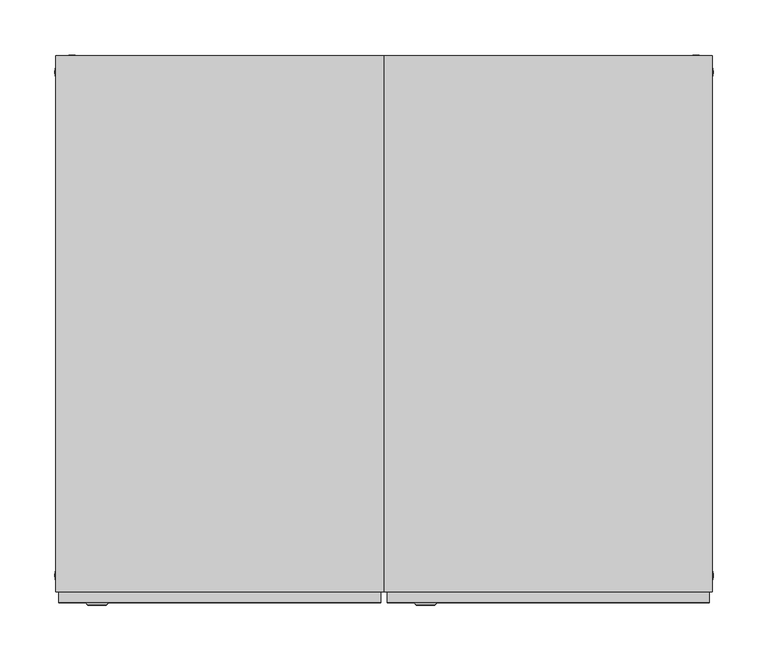
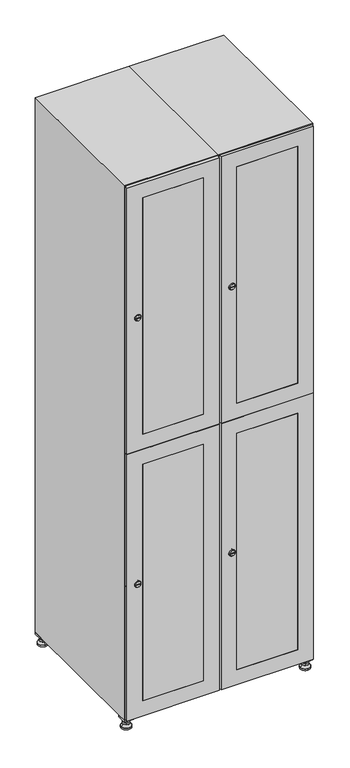
"""IFC4 building model written with IfcOpenShell, lengths in millimetres: furniture geometry."""

from ifc_helpers import new_model, si_unit, point, frame, frame_2d, origin, origin_with_axes, place, context, project, spatial, polyline, circle_curve, trimmed, segment, composite_curve, outline, extrude, faceted_brep, source, transform, mapped, element, save
from ifc_brep_helpers import plane_surface, revolved_surface, advanced_brep


def furniture_5f30b60d(model_context):
    return source(origin(), model_context, "Body", "SolidModel", [
        extrude(outline(polyline([(400.0, 245.0), (400.0, 215.0), (370.0, 215.0), (370.0, 245.0), (400.0, 245.0)]), holes=[polyline([(398.0, 243.0), (372.0, 243.0), (372.0, 217.0), (398.0, 217.0), (398.0, 243.0)])]), frame((0.0, 0.0, 28.5), z_axis=(0.0, 0.0, 1.0), x_axis=(1.0, 0.0, 0.0)), (0.0, 0.0, 1.0), 6.5),
        extrude(outline(polyline([(370.0, -245.0), (370.0, -215.0), (400.0, -215.0), (400.0, -245.0), (370.0, -245.0)]), holes=[polyline([(372.0, -243.0), (398.0, -243.0), (398.0, -217.0), (372.0, -217.0), (372.0, -243.0)])]), frame((0.0, 0.0, 28.5), z_axis=(0.0, 0.0, 1.0), x_axis=(1.0, 0.0, 0.0)), (0.0, 0.0, 1.0), 6.5),
        extrude(outline(polyline([(-170.0, 245.0), (-170.0, 215.0), (-200.0, 215.0), (-200.0, 245.0), (-170.0, 245.0)]), holes=[polyline([(-172.0, 243.0), (-198.0, 243.0), (-198.0, 217.0), (-172.0, 217.0), (-172.0, 243.0)])]), frame((0.0, 0.0, 28.5), z_axis=(0.0, 0.0, 1.0), x_axis=(1.0, 0.0, 0.0)), (0.0, 0.0, 1.0), 6.5),
        extrude(outline(polyline([(-170.0, -215.0), (-170.0, -245.0), (-200.0, -245.0), (-200.0, -215.0), (-170.0, -215.0)]), holes=[polyline([(-198.0, -243.0), (-172.0, -243.0), (-172.0, -217.0), (-198.0, -217.0), (-198.0, -243.0)])]), frame((0.0, 0.0, 28.5), z_axis=(0.0, 0.0, 1.0), x_axis=(1.0, 0.0, 0.0)), (0.0, 0.0, 1.0), 6.5),
        extrude(outline(composite_curve([segment(trimmed(circle_curve(frame_2d((-185.0, 230.0)), 5.0), [point((-180.0, 230.0))], [point((-190.0, 230.0))], False, "CARTESIAN"), True, "CONTINUOUS"), segment(trimmed(circle_curve(frame_2d((-185.0, 230.0)), 5.0), [point((-190.0, 230.0))], [point((-180.0, 230.0))], False, "CARTESIAN"), True, "CONTINUOUS")], self_intersect=False)), frame((0.0, 0.0, 19.6), z_axis=(0.0, 0.0, 1.0), x_axis=(1.0, 0.0, 0.0)), (0.0, 0.0, 1.0), 15.4),
        extrude(outline(composite_curve([segment(trimmed(circle_curve(frame_2d((-185.0, -230.0)), 5.0), [point((-180.0, -230.0))], [point((-190.0, -230.0))], False, "CARTESIAN"), True, "CONTINUOUS"), segment(trimmed(circle_curve(frame_2d((-185.0, -230.0)), 5.0), [point((-190.0, -230.0))], [point((-180.0, -230.0))], False, "CARTESIAN"), True, "CONTINUOUS")], self_intersect=False)), frame((0.0, 0.0, 19.6), z_axis=(0.0, 0.0, 1.0), x_axis=(1.0, 0.0, 0.0)), (0.0, 0.0, 1.0), 15.4),
        extrude(outline(composite_curve([segment(trimmed(circle_curve(frame_2d((385.0, 230.0)), 5.0), [point((390.0, 230.0))], [point((380.0, 230.0))], False, "CARTESIAN"), True, "CONTINUOUS"), segment(trimmed(circle_curve(frame_2d((385.0, 230.0)), 5.0), [point((380.0, 230.0))], [point((390.0, 230.0))], False, "CARTESIAN"), True, "CONTINUOUS")], self_intersect=False)), frame((0.0, 0.0, 19.6), z_axis=(0.0, 0.0, 1.0), x_axis=(1.0, 0.0, 0.0)), (0.0, 0.0, 1.0), 15.4),
        extrude(outline(polyline([(373.4529946, 230.0), (379.2264973, 240.0), (390.7735027, 240.0), (396.5470054, 230.0), (390.7735027, 220.0), (379.2264973, 220.0), (373.4529946, 230.0)])), frame((0.0, 0.0, 13.6), z_axis=(0.0, 0.0, 1.0), x_axis=(1.0, 0.0, 0.0)), (0.0, 0.0, 1.0), 6.0),
        extrude(outline(composite_curve([segment(trimmed(circle_curve(frame_2d((385.0, -230.0)), 5.0), [point((390.0, -230.0))], [point((380.0, -230.0))], False, "CARTESIAN"), True, "CONTINUOUS"), segment(trimmed(circle_curve(frame_2d((385.0, -230.0)), 5.0), [point((380.0, -230.0))], [point((390.0, -230.0))], False, "CARTESIAN"), True, "CONTINUOUS")], self_intersect=False)), frame((0.0, 0.0, 19.6), z_axis=(0.0, 0.0, 1.0), x_axis=(1.0, 0.0, 0.0)), (0.0, 0.0, 1.0), 15.4),
        extrude(outline(polyline([(373.4529946, -230.0), (379.2264973, -220.0), (390.7735027, -220.0), (396.5470054, -230.0), (390.7735027, -240.0), (379.2264973, -240.0), (373.4529946, -230.0)])), frame((0.0, 0.0, 13.6), z_axis=(0.0, 0.0, 1.0), x_axis=(1.0, 0.0, 0.0)), (0.0, 0.0, 1.0), 6.0),
        extrude(outline(composite_curve([segment(trimmed(circle_curve(frame_2d((385.0, 230.0)), 5.0), [point((390.0, 230.0))], [point((380.0, 230.0))], False, "CARTESIAN"), True, "CONTINUOUS"), segment(trimmed(circle_curve(frame_2d((385.0, 230.0)), 5.0), [point((380.0, 230.0))], [point((390.0, 230.0))], False, "CARTESIAN"), True, "CONTINUOUS")], self_intersect=False)), frame((0.0, 0.0, 12.1), z_axis=(0.0, 0.0, 1.0), x_axis=(1.0, 0.0, 0.0)), (0.0, 0.0, 1.0), 1.5),
        extrude(outline(composite_curve([segment(trimmed(circle_curve(frame_2d((385.0, -230.0)), 5.0), [point((390.0, -230.0))], [point((380.0, -230.0))], False, "CARTESIAN"), True, "CONTINUOUS"), segment(trimmed(circle_curve(frame_2d((385.0, -230.0)), 5.0), [point((380.0, -230.0))], [point((390.0, -230.0))], False, "CARTESIAN"), True, "CONTINUOUS")], self_intersect=False)), frame((0.0, 0.0, 12.1), z_axis=(0.0, 0.0, 1.0), x_axis=(1.0, 0.0, 0.0)), (0.0, 0.0, 1.0), 1.5),
        extrude(outline(polyline([(-196.5470054, 230.0), (-190.7735027, 240.0), (-179.2264973, 240.0), (-173.4529946, 230.0), (-179.2264973, 220.0), (-190.7735027, 220.0), (-196.5470054, 230.0)])), frame((0.0, 0.0, 13.6), z_axis=(0.0, 0.0, 1.0), x_axis=(1.0, 0.0, 0.0)), (0.0, 0.0, 1.0), 6.0),
        extrude(outline(polyline([(-196.5470054, -230.0), (-190.7735027, -220.0), (-179.2264973, -220.0), (-173.4529946, -230.0), (-179.2264973, -240.0), (-190.7735027, -240.0), (-196.5470054, -230.0)])), frame((0.0, 0.0, 13.6), z_axis=(0.0, 0.0, 1.0), x_axis=(1.0, 0.0, 0.0)), (0.0, 0.0, 1.0), 6.0),
        extrude(outline(composite_curve([segment(trimmed(circle_curve(frame_2d((-185.0, 230.0)), 5.0), [point((-185.0, 235.0))], [point((-185.0, 225.0))], False, "CARTESIAN"), True, "CONTINUOUS"), segment(trimmed(circle_curve(frame_2d((-185.0, 230.0)), 5.0), [point((-185.0, 225.0))], [point((-185.0, 235.0))], False, "CARTESIAN"), True, "CONTINUOUS")], self_intersect=False)), frame((0.0, 0.0, 12.1), z_axis=(0.0, 0.0, 1.0), x_axis=(1.0, 0.0, 0.0)), (0.0, 0.0, 1.0), 1.5),
        extrude(outline(composite_curve([segment(trimmed(circle_curve(frame_2d((-185.0, -230.0)), 5.0), [point((-180.0, -230.0))], [point((-190.0, -230.0))], False, "CARTESIAN"), True, "CONTINUOUS"), segment(trimmed(circle_curve(frame_2d((-185.0, -230.0)), 5.0), [point((-190.0, -230.0))], [point((-180.0, -230.0))], False, "CARTESIAN"), True, "CONTINUOUS")], self_intersect=False)), frame((0.0, 0.0, 12.1), z_axis=(0.0, 0.0, 1.0), x_axis=(1.0, 0.0, 0.0)), (0.0, 0.0, 1.0), 1.5),
        extrude(outline(composite_curve([segment(trimmed(circle_curve(frame_2d((385.0, 230.0)), 15.75), [point((400.75, 230.0))], [point((369.25, 230.0))], False, "CARTESIAN"), True, "CONTINUOUS"), segment(trimmed(circle_curve(frame_2d((385.0, 230.0)), 15.75), [point((369.25, 230.0))], [point((400.75, 230.0))], False, "CARTESIAN"), True, "CONTINUOUS")], self_intersect=False)), origin_with_axes(), (0.0, 0.0, 1.0), 5.1),
        extrude(outline(composite_curve([segment(trimmed(circle_curve(frame_2d((385.0, -230.0)), 15.75), [point((385.0, -214.25))], [point((385.0, -245.75))], False, "CARTESIAN"), True, "CONTINUOUS"), segment(trimmed(circle_curve(frame_2d((385.0, -230.0)), 15.75), [point((385.0, -245.75))], [point((385.0, -214.25))], False, "CARTESIAN"), True, "CONTINUOUS")], self_intersect=False)), origin_with_axes(), (0.0, 0.0, 1.0), 5.1),
        extrude(outline(composite_curve([segment(trimmed(circle_curve(frame_2d((-185.0, -230.0)), 15.75), [point((-169.25, -230.0))], [point((-200.75, -230.0))], False, "CARTESIAN"), True, "CONTINUOUS"), segment(trimmed(circle_curve(frame_2d((-185.0, -230.0)), 15.75), [point((-200.75, -230.0))], [point((-169.25, -230.0))], False, "CARTESIAN"), True, "CONTINUOUS")], self_intersect=False)), origin_with_axes(), (0.0, 0.0, 1.0), 5.1),
        extrude(outline(composite_curve([segment(trimmed(circle_curve(frame_2d((-185.0, 230.0)), 15.75), [point((-169.25, 230.0))], [point((-200.75, 230.0))], False, "CARTESIAN"), True, "CONTINUOUS"), segment(trimmed(circle_curve(frame_2d((-185.0, 230.0)), 15.75), [point((-200.75, 230.0))], [point((-169.25, 230.0))], False, "CARTESIAN"), True, "CONTINUOUS")], self_intersect=False)), origin_with_axes(), (0.0, 0.0, 1.0), 5.1),
        advanced_brep(
        [(-185.0, 239.5, 12.1), (-185.0, 220.5, 12.1), (-185.0, 214.25, 5.1), (-185.0, 245.75, 5.1)],
        [
            (0, 1, circle_curve(frame((-185.0, 230.0, 12.1), z_axis=(0.0, 0.0, -1.0), x_axis=(0.0, 1.0, 0.0)), 9.5)),
            (1, 2),
            (2, 3, circle_curve(frame((-185.0, 230.0, 5.1), z_axis=(0.0, 0.0, 1.0), x_axis=(0.0, 1.0, 0.0)), 15.75)),
            (3, 0),
            (1, 0, circle_curve(frame((-185.0, 230.0, 12.1), z_axis=(0.0, 0.0, -1.0), x_axis=(0.0, -1.0, 0.0)), 9.5)),
            (3, 2, circle_curve(frame((-185.0, 230.0, 5.1), z_axis=(0.0, 0.0, 1.0), x_axis=(0.0, -1.0, 0.0)), 15.75)),
        ],
        [
            revolved_surface(polyline([(-185.0, 220.5, 12.099999999999998), (-185.0, 214.25, 5.099999999999998)]), (-185.0, 230.0, 22.74), (0.0, 0.0, -1.0)),
            revolved_surface(polyline([(-185.0, 239.5, 12.099999999999998), (-185.0, 245.75, 5.099999999999998)]), (-185.0, 230.0, 22.74), (0.0, 0.0, -1.0)),
            plane_surface(frame((-185.0, 230.0, 5.1), z_axis=(0.0, 0.0, -1.0), x_axis=(1.0, 0.0, 0.0))),
            plane_surface(frame((-185.0, 230.0, 12.1), z_axis=(0.0, 0.0, 1.0), x_axis=(1.0, 0.0, 0.0))),
        ],
        [
            (0, [[1, 2, 3, 4]]),
            (1, [[5, -4, 6, -2]]),
            (2, [[-3, -6]]),
            (3, [[-5, -1]]),
        ],
    ),
        advanced_brep(
        [(385.0, 239.5, 12.1), (385.0, 220.5, 12.1), (385.0, 214.25, 5.1), (385.0, 245.75, 5.1)],
        [
            (0, 1, circle_curve(frame((385.0, 230.0, 12.1), z_axis=(0.0, 0.0, -1.0), x_axis=(0.0, 1.0, 0.0)), 9.5)),
            (1, 2),
            (2, 3, circle_curve(frame((385.0, 230.0, 5.1), z_axis=(0.0, 0.0, 1.0), x_axis=(0.0, 1.0, 0.0)), 15.75)),
            (3, 0),
            (1, 0, circle_curve(frame((385.0, 230.0, 12.1), z_axis=(0.0, 0.0, -1.0), x_axis=(0.0, -1.0, 0.0)), 9.5)),
            (3, 2, circle_curve(frame((385.0, 230.0, 5.1), z_axis=(0.0, 0.0, 1.0), x_axis=(0.0, -1.0, 0.0)), 15.75)),
        ],
        [
            revolved_surface(polyline([(385.0, 220.5, 12.099999999999998), (385.0, 214.25, 5.099999999999998)]), (385.0, 230.0, 22.74), (0.0, 0.0, -1.0)),
            revolved_surface(polyline([(385.0, 239.5, 12.099999999999998), (385.0, 245.75, 5.099999999999998)]), (385.0, 230.0, 22.74), (0.0, 0.0, -1.0)),
            plane_surface(frame((385.0, 230.0, 5.1), z_axis=(0.0, 0.0, -1.0), x_axis=(1.0, 0.0, 0.0))),
            plane_surface(frame((385.0, 230.0, 12.1), z_axis=(0.0, 0.0, 1.0), x_axis=(1.0, 0.0, 0.0))),
        ],
        [
            (0, [[1, 2, 3, 4]]),
            (1, [[5, -4, 6, -2]]),
            (2, [[-3, -6]]),
            (3, [[-5, -1]]),
        ],
    ),
        advanced_brep(
        [(400.75, -230.0, 5.1), (369.25, -230.0, 5.1), (375.5, -230.0, 12.1), (394.5, -230.0, 12.1)],
        [
            (0, 1, circle_curve(frame((385.0, -230.0, 5.1), z_axis=(0.0, 0.0, 1.0), x_axis=(1.0, 0.0, 0.0)), 15.75)),
            (1, 2),
            (2, 3, circle_curve(frame((385.0, -230.0, 12.1), z_axis=(0.0, 0.0, -1.0), x_axis=(1.0, 0.0, 0.0)), 9.5)),
            (3, 0),
            (1, 0, circle_curve(frame((385.0, -230.0, 5.1), z_axis=(0.0, 0.0, 1.0), x_axis=(-1.0, 0.0, 0.0)), 15.75)),
            (3, 2, circle_curve(frame((385.0, -230.0, 12.1), z_axis=(0.0, 0.0, -1.0), x_axis=(-1.0, 0.0, 0.0)), 9.5)),
        ],
        [
            revolved_surface(polyline([(394.5, -230.0, 12.099999999999998), (400.75, -230.0, 5.099999999999998)]), (385.0, -230.0, 22.74), (0.0, 0.0, -1.0)),
            revolved_surface(polyline([(375.5, -230.0, 12.099999999999998), (369.25, -230.0, 5.099999999999998)]), (385.0, -230.0, 22.74), (0.0, 0.0, -1.0)),
            plane_surface(frame((385.0, -230.0, 12.1), z_axis=(0.0, 0.0, 1.0), x_axis=(0.0, 1.0, 0.0))),
            plane_surface(frame((385.0, -230.0, 5.1), z_axis=(0.0, 0.0, -1.0), x_axis=(0.0, 1.0, 0.0))),
        ],
        [
            (0, [[1, 2, 3, 4]]),
            (1, [[5, -4, 6, -2]]),
            (2, [[-3, -6]]),
            (3, [[-5, -1]]),
        ],
    ),
        advanced_brep(
        [(-169.25, -230.0, 5.1), (-200.75, -230.0, 5.1), (-194.5, -230.0, 12.1), (-175.5, -230.0, 12.1)],
        [
            (0, 1, circle_curve(frame((-185.0, -230.0, 5.1), z_axis=(0.0, 0.0, 1.0), x_axis=(1.0, 0.0, 0.0)), 15.75)),
            (1, 2),
            (2, 3, circle_curve(frame((-185.0, -230.0, 12.1), z_axis=(0.0, 0.0, -1.0), x_axis=(1.0, 0.0, 0.0)), 9.5)),
            (3, 0),
            (1, 0, circle_curve(frame((-185.0, -230.0, 5.1), z_axis=(0.0, 0.0, 1.0), x_axis=(-1.0, 0.0, 0.0)), 15.75)),
            (3, 2, circle_curve(frame((-185.0, -230.0, 12.1), z_axis=(0.0, 0.0, -1.0), x_axis=(-1.0, 0.0, 0.0)), 9.5)),
        ],
        [
            revolved_surface(polyline([(-175.5, -230.0, 12.099999999999998), (-169.25, -230.0, 5.099999999999998)]), (-185.0, -230.0, 22.74), (0.0, 0.0, -1.0)),
            revolved_surface(polyline([(-194.5, -230.0, 12.099999999999998), (-200.75, -230.0, 5.099999999999998)]), (-185.0, -230.0, 22.74), (0.0, 0.0, -1.0)),
            plane_surface(frame((-185.0, -230.0, 12.1), z_axis=(0.0, 0.0, 1.0), x_axis=(0.0, 1.0, 0.0))),
            plane_surface(frame((-185.0, -230.0, 5.1), z_axis=(0.0, 0.0, -1.0), x_axis=(0.0, 1.0, 0.0))),
        ],
        [
            (0, [[1, 2, 3, 4]]),
            (1, [[5, -4, 6, -2]]),
            (2, [[-3, -6]]),
            (3, [[-5, -1]]),
        ],
    ),
        extrude(outline(composite_curve([segment(trimmed(circle_curve(frame_2d((1383.5, 111.2010534)), 7.0), [point((1390.5, 111.2010534))], [point((1376.5, 111.2010534))], False, "CARTESIAN"), True, "CONTINUOUS"), segment(polyline([(1376.5, 111.2010534), (1376.5, 139.2010534)]), True, "CONTINUOUS"), segment(trimmed(circle_curve(frame_2d((1383.5, 139.2010534)), 7.0), [point((1376.5, 139.2010534))], [point((1390.5, 139.2010534))], False, "CARTESIAN"), True, "CONTINUOUS"), segment(polyline([(1390.5, 139.2010534), (1390.5, 111.2010534)]), True, "CONTINUOUS")], self_intersect=False)), frame((0.0, -245.0, 0.0), z_axis=(0.0, 1.0, 0.0), x_axis=(0.0, 0.0, 1.0)), (0.0, 0.0, 1.0), 2.0),
        advanced_brep(
        [(146.5, -257.2, 1383.5), (129.5, -257.2, 1383.5), (133.0, -257.2, 1382.25), (133.0, -257.2, 1384.75), (143.0, -257.2, 1384.75), (143.0, -257.2, 1382.25), (148.5, -255.0, 1383.5), (127.5, -255.0, 1383.5), (133.0, -255.0, 1384.75), (133.0, -255.0, 1382.25), (143.0, -255.0, 1382.25), (143.0, -255.0, 1384.75)],
        [
            (0, 1, circle_curve(frame((138.0, -257.2, 1383.5), z_axis=(0.0, -1.0, 0.0), x_axis=(1.0, 0.0, 0.0)), 8.5)),
            (1, 0, circle_curve(frame((138.0, -257.2, 1383.5), z_axis=(0.0, -1.0, 0.0), x_axis=(-1.0, 0.0, 0.0)), 8.5)),
            (2, 3),
            (3, 4),
            (4, 5),
            (5, 2),
            (6, 7, circle_curve(frame((138.0, -255.0, 1383.5), z_axis=(0.0, 1.0, 0.0), x_axis=(-1.0, 0.0, 0.0)), 10.5)),
            (7, 6, circle_curve(frame((138.0, -255.0, 1383.5), z_axis=(0.0, 1.0, 0.0), x_axis=(1.0, 0.0, 0.0)), 10.5)),
            (8, 9),
            (9, 10),
            (10, 11),
            (11, 8),
            (0, 6),
            (7, 1),
            (8, 3),
            (2, 9),
            (11, 4),
            (10, 5),
        ],
        [
            plane_surface(frame((138.0, -257.2, 1383.5), z_axis=(0.0, -1.0, 0.0), x_axis=(0.0, 0.0, 1.0))),
            plane_surface(frame((138.0, -255.0, 1383.5), z_axis=(0.0, 1.0, 0.0), x_axis=(0.0, 0.0, 1.0))),
            revolved_surface(polyline([(146.5, -257.2, 1383.5), (148.5, -255.0, 1383.5)]), (138.0, -266.55, 1383.5), (0.0, 1.0, 0.0)),
            revolved_surface(polyline([(129.5, -257.2, 1383.5), (127.5, -255.0, 1383.5)]), (138.0, -266.55, 1383.5), (0.0, 1.0, 0.0)),
            plane_surface(frame((133.0, -255.0, 1382.25), z_axis=(1.0, 0.0, 0.0), x_axis=(0.0, -1.0, 0.0))),
            plane_surface(frame((133.0, -255.0, 1384.75), z_axis=(0.0, 0.0, -1.0), x_axis=(0.0, -1.0, 0.0))),
            plane_surface(frame((143.0, -255.0, 1384.75), z_axis=(-1.0, 0.0, 0.0), x_axis=(0.0, -1.0, 0.0))),
            plane_surface(frame((143.0, -255.0, 1382.25), z_axis=(0.0, 0.0, 1.0), x_axis=(0.0, -1.0, 0.0))),
        ],
        [
            (0, [[1, 2], [3, 4, 5, 6]]),
            (1, [[7, 8], [9, 10, 11, 12]]),
            (2, [[-1, 13, -8, 14]]),
            (3, [[-2, -14, -7, -13]]),
            (4, [[15, -3, 16, -9]]),
            (5, [[-15, -12, 17, -4]]),
            (6, [[-17, -11, 18, -5]]),
            (7, [[-16, -6, -18, -10]]),
        ],
    ),
        extrude(outline(composite_curve([segment(trimmed(circle_curve(frame_2d((486.5, 111.2010534)), 7.0), [point((493.5, 111.2010534))], [point((479.5, 111.2010534))], False, "CARTESIAN"), True, "CONTINUOUS"), segment(polyline([(479.5, 111.2010534), (479.5, 139.2010534)]), True, "CONTINUOUS"), segment(trimmed(circle_curve(frame_2d((486.5, 139.2010534)), 7.0), [point((479.5, 139.2010534))], [point((493.5, 139.2010534))], False, "CARTESIAN"), True, "CONTINUOUS"), segment(polyline([(493.5, 139.2010534), (493.5, 111.2010534)]), True, "CONTINUOUS")], self_intersect=False)), frame((0.0, -245.0, 0.0), z_axis=(0.0, 1.0, 0.0), x_axis=(0.0, 0.0, 1.0)), (0.0, 0.0, 1.0), 2.0),
        advanced_brep(
        [(146.5, -257.2, 486.5), (129.5, -257.2, 486.5), (133.0, -257.2, 485.25), (133.0, -257.2, 487.75), (143.0, -257.2, 487.75), (143.0, -257.2, 485.25), (148.5, -255.0, 486.5), (127.5, -255.0, 486.5), (133.0, -255.0, 487.75), (133.0, -255.0, 485.25), (143.0, -255.0, 485.25), (143.0, -255.0, 487.75)],
        [
            (0, 1, circle_curve(frame((138.0, -257.2, 486.5), z_axis=(0.0, -1.0, 0.0), x_axis=(1.0, 0.0, 0.0)), 8.5)),
            (1, 0, circle_curve(frame((138.0, -257.2, 486.5), z_axis=(0.0, -1.0, 0.0), x_axis=(-1.0, 0.0, 0.0)), 8.5)),
            (2, 3),
            (3, 4),
            (4, 5),
            (5, 2),
            (6, 7, circle_curve(frame((138.0, -255.0, 486.5), z_axis=(0.0, 1.0, 0.0), x_axis=(-1.0, 0.0, 0.0)), 10.5)),
            (7, 6, circle_curve(frame((138.0, -255.0, 486.5), z_axis=(0.0, 1.0, 0.0), x_axis=(1.0, 0.0, 0.0)), 10.5)),
            (8, 9),
            (9, 10),
            (10, 11),
            (11, 8),
            (0, 6),
            (7, 1),
            (8, 3),
            (2, 9),
            (11, 4),
            (10, 5),
        ],
        [
            plane_surface(frame((138.0, -257.2, 486.5), z_axis=(0.0, -1.0, 0.0), x_axis=(0.0, 0.0, 1.0))),
            plane_surface(frame((138.0, -255.0, 486.5), z_axis=(0.0, 1.0, 0.0), x_axis=(0.0, 0.0, 1.0))),
            revolved_surface(polyline([(146.5, -257.2, 486.5), (148.5, -255.0, 486.5)]), (138.0, -266.55, 486.5), (0.0, 1.0, 0.0)),
            revolved_surface(polyline([(129.5, -257.2, 486.5), (127.5, -255.0, 486.5)]), (138.0, -266.55, 486.5), (0.0, 1.0, 0.0)),
            plane_surface(frame((133.0, -255.0, 485.25), z_axis=(1.0, 0.0, 0.0), x_axis=(0.0, -1.0, 0.0))),
            plane_surface(frame((133.0, -255.0, 487.75), z_axis=(0.0, 0.0, -1.0), x_axis=(0.0, -1.0, 0.0))),
            plane_surface(frame((143.0, -255.0, 487.75), z_axis=(-1.0, 0.0, 0.0), x_axis=(0.0, -1.0, 0.0))),
            plane_surface(frame((143.0, -255.0, 485.25), z_axis=(0.0, 0.0, 1.0), x_axis=(0.0, -1.0, 0.0))),
        ],
        [
            (0, [[1, 2], [3, 4, 5, 6]]),
            (1, [[7, 8], [9, 10, 11, 12]]),
            (2, [[-1, 13, -8, 14]]),
            (3, [[-2, -14, -7, -13]]),
            (4, [[15, -3, 16, -9]]),
            (5, [[-15, -12, 17, -4]]),
            (6, [[-17, -11, 18, -5]]),
            (7, [[-16, -6, -18, -10]]),
        ],
    ),
        extrude(outline(polyline([(935.5, 397.0), (1832.0, 397.0), (1832.0, 103.0), (935.5, 103.0), (935.5, 397.0)]), holes=[polyline([(1782.0, 153.0), (1782.0, 347.0), (985.5, 347.0), (985.5, 153.0), (1782.0, 153.0)])]), frame((0.0, -255.0, 0.0), z_axis=(0.0, 1.0, 0.0), x_axis=(0.0, 0.0, 1.0)), (0.0, 0.0, 1.0), 10.0),
        extrude(outline(polyline([(934.5, 103.0), (38.0, 103.0), (38.0, 397.0), (934.5, 397.0), (934.5, 103.0)]), holes=[polyline([(88.0, 153.0), (884.5, 153.0), (884.5, 347.0), (88.0, 347.0), (88.0, 153.0)])]), frame((0.0, -255.0, 0.0), z_axis=(0.0, 1.0, 0.0), x_axis=(0.0, 0.0, 1.0)), (0.0, 0.0, 1.0), 10.0),
        extrude(outline(polyline([(347.0, -255.0), (153.0, -255.0), (153.0, -245.0), (347.0, -245.0), (347.0, -255.0)])), frame((0.0, 0.0, 985.5), z_axis=(0.0, 0.0, 1.0), x_axis=(1.0, 0.0, 0.0)), (0.0, 0.0, 1.0), 796.5),
        extrude(outline(polyline([(347.0, -255.0), (153.0, -255.0), (153.0, -245.0), (347.0, -245.0), (347.0, -255.0)])), frame((0.0, 0.0, 88.0), z_axis=(0.0, 0.0, 1.0), x_axis=(1.0, 0.0, 0.0)), (0.0, 0.0, 1.0), 796.5),
        extrude(outline(polyline([(379.6, 242.0), (379.6, -235.0), (120.4, -235.0), (120.4, 242.0), (379.6, 242.0)])), frame((0.0, 0.0, 924.8), z_axis=(0.0, 0.0, 1.0), x_axis=(1.0, 0.0, 0.0)), (0.0, 0.0, 1.0), 20.4),
        faceted_brep([(400.0, -245.0, 35.0), (400.0, -245.0, 1835.0), (100.0, -245.0, 1835.0), (100.0, -245.0, 35.0), (379.6, -245.0, 1804.8), (379.6, -245.0, 65.2), (120.4, -245.0, 65.2), (120.4, -245.0, 1804.8), (400.0, 245.0, 35.0), (100.0, 245.0, 35.0), (400.0, 245.0, 1835.0), (100.0, 245.0, 1835.0), (379.6, 242.0, 1804.8), (379.6, 242.0, 65.2), (100.0, 245.0, 1804.8), (120.4, 242.0, 1804.8), (120.4, 242.0, 65.2)], [[[0, 1, 2, 3], [4, 5, 6, 7]], [[8, 0, 3, 9]], [[1, 0, 8, 10]], [[1, 10, 11, 2]], [[4, 12, 13, 5]], [[9, 3, 2, 11, 14]], [[10, 8, 9, 14, 11]], [[12, 15, 16, 13]], [[15, 7, 6, 16]], [[4, 7, 15, 12]], [[6, 5, 13, 16]]]),
        extrude(outline(composite_curve([segment(trimmed(circle_curve(frame_2d((1383.5, -188.7989466)), 7.0), [point((1390.5, -188.7989466))], [point((1376.5, -188.7989466))], False, "CARTESIAN"), True, "CONTINUOUS"), segment(polyline([(1376.5, -188.7989466), (1376.5, -160.7989466)]), True, "CONTINUOUS"), segment(trimmed(circle_curve(frame_2d((1383.5, -160.7989466)), 7.0), [point((1376.5, -160.7989466))], [point((1390.5, -160.7989466))], False, "CARTESIAN"), True, "CONTINUOUS"), segment(polyline([(1390.5, -160.7989466), (1390.5, -188.7989466)]), True, "CONTINUOUS")], self_intersect=False)), frame((0.0, -245.0, 0.0), z_axis=(0.0, 1.0, 0.0), x_axis=(0.0, 0.0, 1.0)), (0.0, 0.0, 1.0), 2.0),
        advanced_brep(
        [(-153.5, -257.2, 1383.5), (-170.5, -257.2, 1383.5), (-167.0, -257.2, 1382.25), (-167.0, -257.2, 1384.75), (-157.0, -257.2, 1384.75), (-157.0, -257.2, 1382.25), (-151.5, -255.0, 1383.5), (-172.5, -255.0, 1383.5), (-167.0, -255.0, 1384.75), (-167.0, -255.0, 1382.25), (-157.0, -255.0, 1382.25), (-157.0, -255.0, 1384.75)],
        [
            (0, 1, circle_curve(frame((-162.0, -257.2, 1383.5), z_axis=(0.0, -1.0, 0.0), x_axis=(1.0, 0.0, 0.0)), 8.5)),
            (1, 0, circle_curve(frame((-162.0, -257.2, 1383.5), z_axis=(0.0, -1.0, 0.0), x_axis=(-1.0, 0.0, 0.0)), 8.5)),
            (2, 3),
            (3, 4),
            (4, 5),
            (5, 2),
            (6, 7, circle_curve(frame((-162.0, -255.0, 1383.5), z_axis=(0.0, 1.0, 0.0), x_axis=(-1.0, 0.0, 0.0)), 10.5)),
            (7, 6, circle_curve(frame((-162.0, -255.0, 1383.5), z_axis=(0.0, 1.0, 0.0), x_axis=(1.0, 0.0, 0.0)), 10.5)),
            (8, 9),
            (9, 10),
            (10, 11),
            (11, 8),
            (0, 6),
            (7, 1),
            (8, 3),
            (2, 9),
            (11, 4),
            (10, 5),
        ],
        [
            plane_surface(frame((-162.0, -257.2, 1383.5), z_axis=(0.0, -1.0, 0.0), x_axis=(0.0, 0.0, 1.0))),
            plane_surface(frame((-162.0, -255.0, 1383.5), z_axis=(0.0, 1.0, 0.0), x_axis=(0.0, 0.0, 1.0))),
            revolved_surface(polyline([(-153.5, -257.2, 1383.5), (-151.5, -255.0, 1383.5)]), (-162.0, -266.55, 1383.5), (0.0, 1.0, 0.0)),
            revolved_surface(polyline([(-170.5, -257.2, 1383.5), (-172.5, -255.0, 1383.5)]), (-162.0, -266.55, 1383.5), (0.0, 1.0, 0.0)),
            plane_surface(frame((-167.0, -255.0, 1382.25), z_axis=(1.0, 0.0, 0.0), x_axis=(0.0, -1.0, 0.0))),
            plane_surface(frame((-167.0, -255.0, 1384.75), z_axis=(0.0, 0.0, -1.0), x_axis=(0.0, -1.0, 0.0))),
            plane_surface(frame((-157.0, -255.0, 1384.75), z_axis=(-1.0, 0.0, 0.0), x_axis=(0.0, -1.0, 0.0))),
            plane_surface(frame((-157.0, -255.0, 1382.25), z_axis=(0.0, 0.0, 1.0), x_axis=(0.0, -1.0, 0.0))),
        ],
        [
            (0, [[1, 2], [3, 4, 5, 6]]),
            (1, [[7, 8], [9, 10, 11, 12]]),
            (2, [[-1, 13, -8, 14]]),
            (3, [[-2, -14, -7, -13]]),
            (4, [[15, -3, 16, -9]]),
            (5, [[-15, -12, 17, -4]]),
            (6, [[-17, -11, 18, -5]]),
            (7, [[-16, -6, -18, -10]]),
        ],
    ),
        extrude(outline(composite_curve([segment(trimmed(circle_curve(frame_2d((486.5, -188.7989466)), 7.0), [point((493.5, -188.7989466))], [point((479.5, -188.7989466))], False, "CARTESIAN"), True, "CONTINUOUS"), segment(polyline([(479.5, -188.7989466), (479.5, -160.7989466)]), True, "CONTINUOUS"), segment(trimmed(circle_curve(frame_2d((486.5, -160.7989466)), 7.0), [point((479.5, -160.7989466))], [point((493.5, -160.7989466))], False, "CARTESIAN"), True, "CONTINUOUS"), segment(polyline([(493.5, -160.7989466), (493.5, -188.7989466)]), True, "CONTINUOUS")], self_intersect=False)), frame((0.0, -245.0, 0.0), z_axis=(0.0, 1.0, 0.0), x_axis=(0.0, 0.0, 1.0)), (0.0, 0.0, 1.0), 2.0),
        advanced_brep(
        [(-153.5, -257.2, 486.5), (-170.5, -257.2, 486.5), (-167.0, -257.2, 485.25), (-167.0, -257.2, 487.75), (-157.0, -257.2, 487.75), (-157.0, -257.2, 485.25), (-151.5, -255.0, 486.5), (-172.5, -255.0, 486.5), (-167.0, -255.0, 487.75), (-167.0, -255.0, 485.25), (-157.0, -255.0, 485.25), (-157.0, -255.0, 487.75)],
        [
            (0, 1, circle_curve(frame((-162.0, -257.2, 486.5), z_axis=(0.0, -1.0, 0.0), x_axis=(1.0, 0.0, 0.0)), 8.5)),
            (1, 0, circle_curve(frame((-162.0, -257.2, 486.5), z_axis=(0.0, -1.0, 0.0), x_axis=(-1.0, 0.0, 0.0)), 8.5)),
            (2, 3),
            (3, 4),
            (4, 5),
            (5, 2),
            (6, 7, circle_curve(frame((-162.0, -255.0, 486.5), z_axis=(0.0, 1.0, 0.0), x_axis=(-1.0, 0.0, 0.0)), 10.5)),
            (7, 6, circle_curve(frame((-162.0, -255.0, 486.5), z_axis=(0.0, 1.0, 0.0), x_axis=(1.0, 0.0, 0.0)), 10.5)),
            (8, 9),
            (9, 10),
            (10, 11),
            (11, 8),
            (0, 6),
            (7, 1),
            (8, 3),
            (2, 9),
            (11, 4),
            (10, 5),
        ],
        [
            plane_surface(frame((-162.0, -257.2, 486.5), z_axis=(0.0, -1.0, 0.0), x_axis=(0.0, 0.0, 1.0))),
            plane_surface(frame((-162.0, -255.0, 486.5), z_axis=(0.0, 1.0, 0.0), x_axis=(0.0, 0.0, 1.0))),
            revolved_surface(polyline([(-153.5, -257.2, 486.5), (-151.5, -255.0, 486.5)]), (-162.0, -266.55, 486.5), (0.0, 1.0, 0.0)),
            revolved_surface(polyline([(-170.5, -257.2, 486.5), (-172.5, -255.0, 486.5)]), (-162.0, -266.55, 486.5), (0.0, 1.0, 0.0)),
            plane_surface(frame((-167.0, -255.0, 485.25), z_axis=(1.0, 0.0, 0.0), x_axis=(0.0, -1.0, 0.0))),
            plane_surface(frame((-167.0, -255.0, 487.75), z_axis=(0.0, 0.0, -1.0), x_axis=(0.0, -1.0, 0.0))),
            plane_surface(frame((-157.0, -255.0, 487.75), z_axis=(-1.0, 0.0, 0.0), x_axis=(0.0, -1.0, 0.0))),
            plane_surface(frame((-157.0, -255.0, 485.25), z_axis=(0.0, 0.0, 1.0), x_axis=(0.0, -1.0, 0.0))),
        ],
        [
            (0, [[1, 2], [3, 4, 5, 6]]),
            (1, [[7, 8], [9, 10, 11, 12]]),
            (2, [[-1, 13, -8, 14]]),
            (3, [[-2, -14, -7, -13]]),
            (4, [[15, -3, 16, -9]]),
            (5, [[-15, -12, 17, -4]]),
            (6, [[-17, -11, 18, -5]]),
            (7, [[-16, -6, -18, -10]]),
        ],
    ),
        extrude(outline(polyline([(935.5, 97.0), (1832.0, 97.0), (1832.0, -197.0), (935.5, -197.0), (935.5, 97.0)]), holes=[polyline([(1782.0, -147.0), (1782.0, 47.0), (985.5, 47.0), (985.5, -147.0), (1782.0, -147.0)])]), frame((0.0, -255.0, 0.0), z_axis=(0.0, 1.0, 0.0), x_axis=(0.0, 0.0, 1.0)), (0.0, 0.0, 1.0), 10.0),
        extrude(outline(polyline([(934.5, -197.0), (38.0, -197.0), (38.0, 97.0), (934.5, 97.0), (934.5, -197.0)]), holes=[polyline([(88.0, -147.0), (884.5, -147.0), (884.5, 47.0), (88.0, 47.0), (88.0, -147.0)])]), frame((0.0, -255.0, 0.0), z_axis=(0.0, 1.0, 0.0), x_axis=(0.0, 0.0, 1.0)), (0.0, 0.0, 1.0), 10.0),
        extrude(outline(polyline([(47.0, -255.0), (-147.0, -255.0), (-147.0, -245.0), (47.0, -245.0), (47.0, -255.0)])), frame((0.0, 0.0, 985.5), z_axis=(0.0, 0.0, 1.0), x_axis=(1.0, 0.0, 0.0)), (0.0, 0.0, 1.0), 796.5),
        extrude(outline(polyline([(47.0, -255.0), (-147.0, -255.0), (-147.0, -245.0), (47.0, -245.0), (47.0, -255.0)])), frame((0.0, 0.0, 88.0), z_axis=(0.0, 0.0, 1.0), x_axis=(1.0, 0.0, 0.0)), (0.0, 0.0, 1.0), 796.5),
        extrude(outline(polyline([(79.6, 242.0), (79.6, -235.0), (-179.6, -235.0), (-179.6, 242.0), (79.6, 242.0)])), frame((0.0, 0.0, 924.8), z_axis=(0.0, 0.0, 1.0), x_axis=(1.0, 0.0, 0.0)), (0.0, 0.0, 1.0), 20.4),
        faceted_brep([(100.0, -245.0, 35.0), (100.0, -245.0, 1835.0), (-200.0, -245.0, 1835.0), (-200.0, -245.0, 35.0), (79.6, -245.0, 1804.8), (79.6, -245.0, 65.2), (-179.6, -245.0, 65.2), (-179.6, -245.0, 1804.8), (100.0, 245.0, 35.0), (-200.0, 245.0, 35.0), (100.0, 245.0, 1835.0), (-200.0, 245.0, 1835.0), (79.6, 242.0, 1804.8), (79.6, 242.0, 65.2), (-200.0, 245.0, 1804.8), (-179.6, 242.0, 1804.8), (-179.6, 242.0, 65.2)], [[[0, 1, 2, 3], [4, 5, 6, 7]], [[8, 0, 3, 9]], [[1, 0, 8, 10]], [[1, 10, 11, 2]], [[4, 12, 13, 5]], [[9, 3, 2, 11, 14]], [[10, 8, 9, 14, 11]], [[12, 15, 16, 13]], [[15, 7, 6, 16]], [[4, 7, 15, 12]], [[6, 5, 13, 16]]]),
    ])


if __name__ == "__main__":
    model = new_model("IFC4")
    model_context = context("Model", 3, world=origin())
    ifc_project = project(units=[si_unit("LENGTHUNIT", "METRE", prefix="MILLI")], contexts=[model_context])
    site = spatial("IfcSite", under=ifc_project)
    building = spatial("IfcBuilding", under=site)
    placement = place(None, origin())
    furniture_shape = furniture_5f30b60d(model_context)
    element("IfcFurniture", 1, at=placement, inside=building, context=model_context, shape_type="MappedRepresentation", body=[
        mapped(furniture_shape, transform((0.0, 0.0, 0.0), x_axis=(1.0, 0.0, 0.0), y_axis=(0.0, 1.0, 0.0), z_axis=(0.0, 0.0, 1.0))),
    ])
    save(model, "model.ifc")
